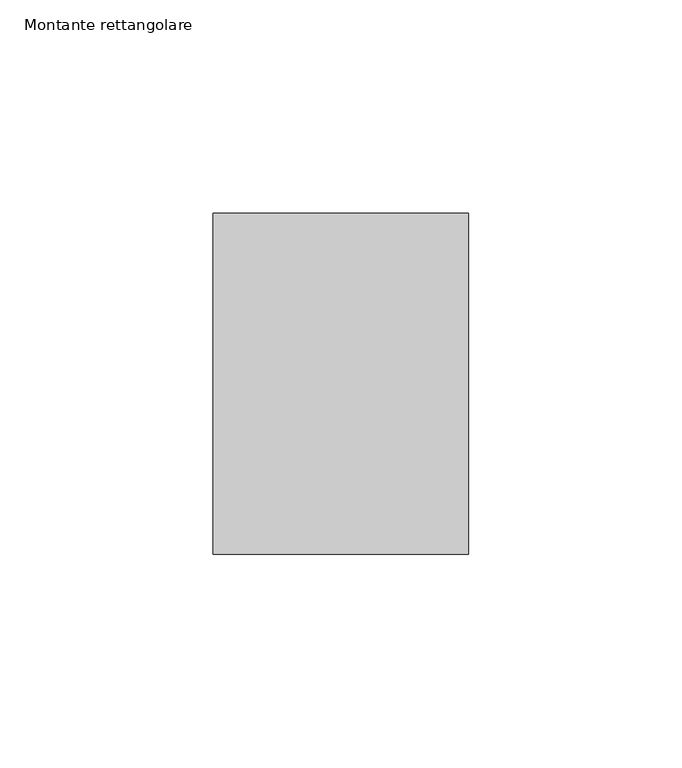
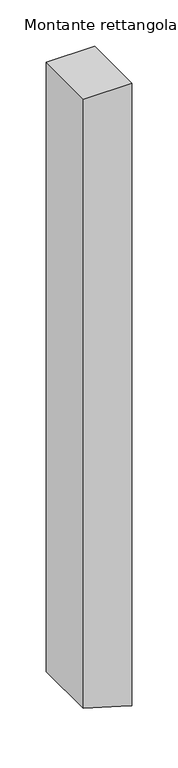
"""IFC4 building model written with IfcOpenShell, lengths in millimetres: member geometry, Montante rettangolare."""

from ifc_helpers import new_model, si_unit, frame, origin, place, context, project, spatial, polyline, outline, extrude, source, transform, mapped, element, save


def montante_rettangolare_854b6fa8(model_context):
    return source(origin(), model_context, "Body", "SweptSolid", [
        extrude(outline(polyline([(0.0, 30.0), (0.0, -30.0), (-802.1311391, -30.0), (-815.6541859, 16.6915412), (-819.5086509, 30.0), (0.0, 30.0)])), frame((0.0, -60.0, 0.0), z_axis=(0.0, 1.0, 0.0), x_axis=(0.0, 0.0, 1.0)), (0.0, 0.0, 1.0), 80.0),
    ])


if __name__ == "__main__":
    model = new_model("IFC4")
    model_context = context("Model", 3, world=origin())
    ifc_project = project(units=[si_unit("LENGTHUNIT", "METRE", prefix="MILLI")], contexts=[model_context])
    site = spatial("IfcSite", under=ifc_project)
    building = spatial("IfcBuilding", under=site)
    placement = place(None, origin())
    montante_rettangolare_shape = montante_rettangolare_854b6fa8(model_context)
    element("IfcMember", 1, ObjectType="Montante rettangolare", at=placement, inside=building, context=model_context, shape_type="MappedRepresentation", body=[
        mapped(montante_rettangolare_shape, transform((0.0, 0.0, 0.0), x_axis=(1.0, 0.0, 0.0), y_axis=(0.0, 1.0, 0.0), z_axis=(0.0, 0.0, 1.0))),
    ])
    save(model, "model.ifc")
